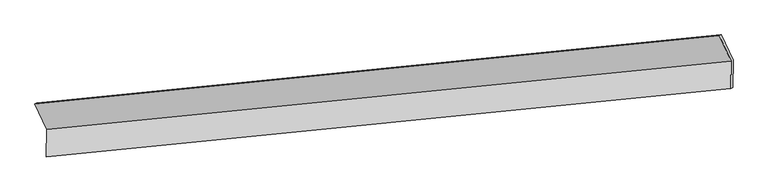
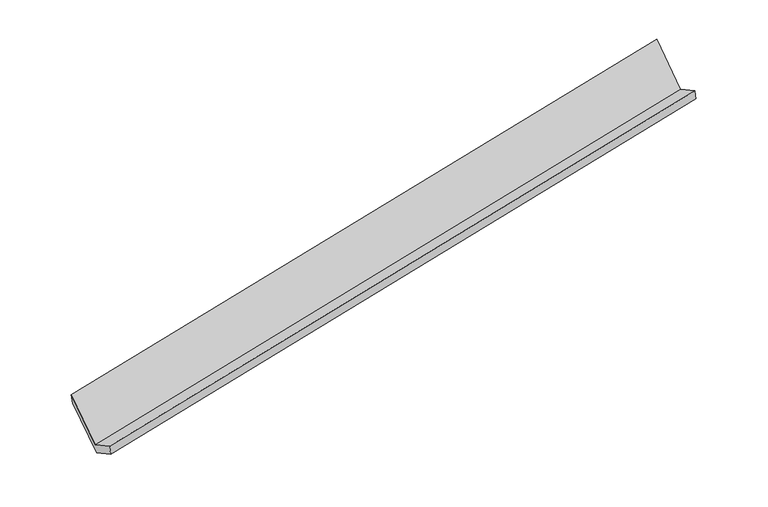
"""IFC4 building model written with IfcOpenShell, lengths in millimetres: proxy geometry."""

from ifc_helpers import new_model, si_unit, origin, place, context, project, spatial, faceted_brep, source, transform, mapped, element, save


def generic_models_f7b8d2fd(model_context):
    return source(origin(), model_context, "Body", "Brep", [
        faceted_brep([(-7473.8158566, -1969.4329638, 820.2744635), (-7475.5351605, -2343.0494897, 1023.5356613), (1829.7103713, -1411.1748301, 2825.5961728), (1831.4296752, -1037.5583043, 2622.3349749), (-7448.6003604, -2327.2646573, 876.8756345), (1856.6451713, -1395.3899977, 2678.936146), (-7446.8901434, -1955.622767, 674.6887114), (1858.3553884, -1023.7481074, 2476.7492228), (-7604.7262636, -1611.0730227, 1306.674115), (1700.5192682, -679.1983632, 3108.7346264), (-7632.2843919, -1623.5026833, 1454.7920958), (1672.9611399, -691.6280238, 3256.8526072)], [[[0, 1, 2, 3]], [[1, 4, 5, 2]], [[4, 6, 7, 5]], [[6, 8, 9, 7]], [[8, 10, 11, 9]], [[10, 0, 3, 11]], [[9, 11, 3, 2, 5, 7]], [[0, 10, 8, 6, 4, 1]]]),
    ])


if __name__ == "__main__":
    model = new_model("IFC4")
    model_context = context("Model", 3, world=origin())
    ifc_project = project(units=[si_unit("LENGTHUNIT", "METRE", prefix="MILLI")], contexts=[model_context])
    site = spatial("IfcSite", under=ifc_project)
    building = spatial("IfcBuilding", under=site)
    placement = place(None, origin())
    generic_models_shape = generic_models_f7b8d2fd(model_context)
    element("IfcBuildingElementProxy", 1, Name="Generic Models", at=placement, inside=building, context=model_context, shape_type="MappedRepresentation", body=[
        mapped(generic_models_shape, transform((0.0, 0.0, 0.0), x_axis=(1.0, 0.0, 0.0), y_axis=(0.0, 1.0, 0.0), z_axis=(0.0, 0.0, 1.0))),
    ])
    save(model, "model.ifc")
